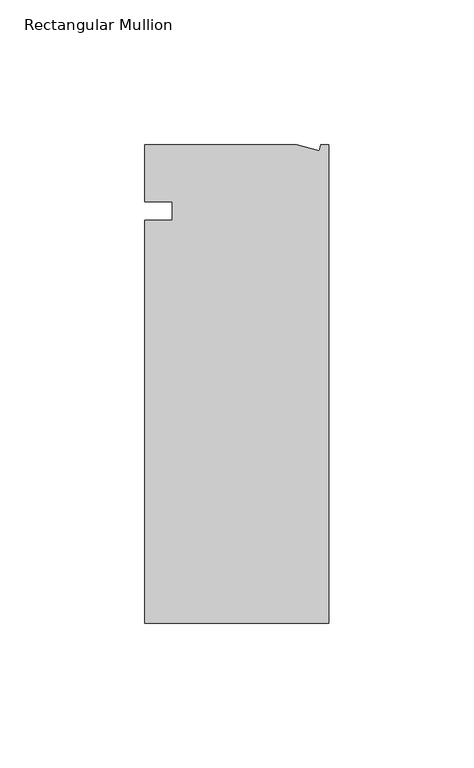
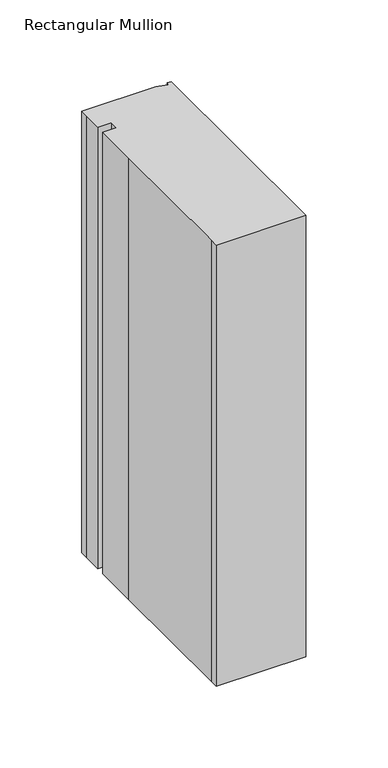
"""IFC4 building model written with IfcOpenShell, lengths in millimetres: member geometry, Rectangular Mullion."""

from ifc_helpers import new_model, si_unit, frame, origin, place, context, project, spatial, polyline, outline, extrude, source, transform, mapped, element, save


def rectangular_mullion_d5ab269b(model_context):
    return source(origin(), model_context, "Body", "SweptSolid", [
        extrude(outline(polyline([(-11.1265412, 19.6597595), (-3.3457217, 17.5748952), (-2.787084, 19.6597595), (0.0, 19.6597595), (0.0, -145.4402405), (-63.5, -145.4402405), (-63.5, -139.091245), (-63.5, -38.3358837), (-63.5, -6.35), (-53.975, -6.35), (-53.975, 0.0), (-63.5, 0.0), (-63.5, 13.6200033), (-63.5, 19.6597595), (-11.1265412, 19.6597595)])), frame((0.0, 0.0, -330.2), z_axis=(0.0, 0.0, 1.0), x_axis=(1.0, 0.0, 0.0)), (0.0, 0.0, 1.0), 330.2),
    ])


if __name__ == "__main__":
    model = new_model("IFC4")
    model_context = context("Model", 3, world=origin())
    ifc_project = project(units=[si_unit("LENGTHUNIT", "METRE", prefix="MILLI")], contexts=[model_context])
    site = spatial("IfcSite", under=ifc_project)
    building = spatial("IfcBuilding", under=site)
    placement = place(None, origin())
    rectangular_mullion_shape = rectangular_mullion_d5ab269b(model_context)
    element("IfcMember", 1, ObjectType="Rectangular Mullion", at=placement, inside=building, context=model_context, shape_type="MappedRepresentation", body=[
        mapped(rectangular_mullion_shape, transform((0.0, 0.0, 0.0), x_axis=(1.0, 0.0, 0.0), y_axis=(0.0, 1.0, 0.0), z_axis=(0.0, 0.0, 1.0))),
    ])
    save(model, "model.ifc")
